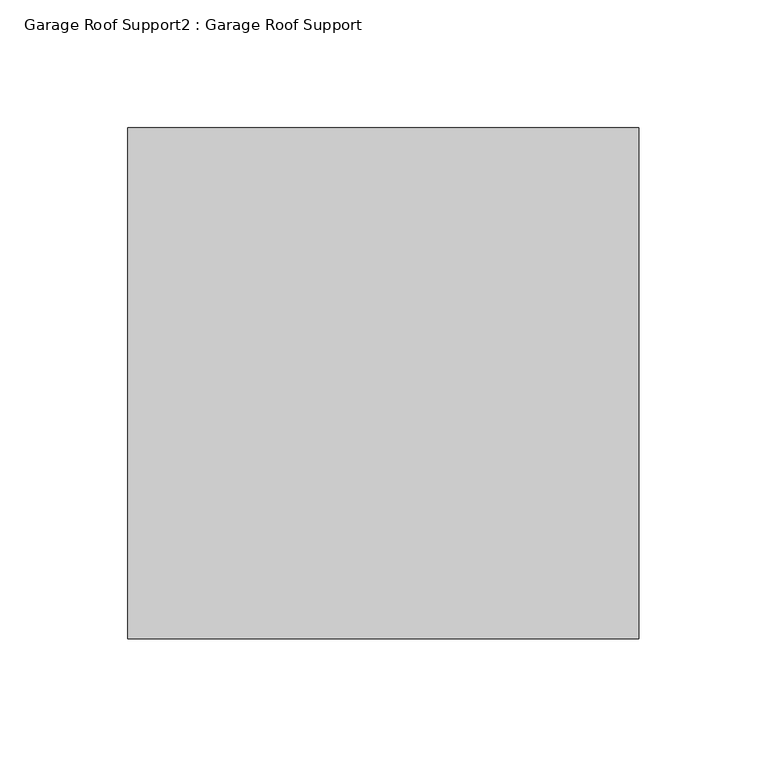
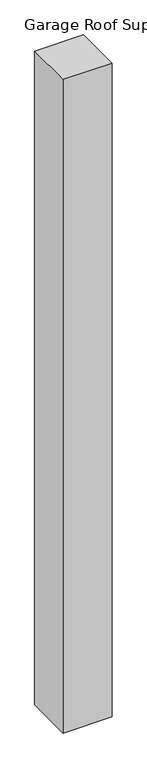
"""IFC4 building model written with IfcOpenShell, lengths in millimetres: proxy geometry, Garage Roof Support2 : Garage Roof Support."""

from ifc_helpers import new_model, si_unit, frame, origin, place, context, project, spatial, polyline, outline, extrude, source, transform, mapped, element, save


def garage_roof_support2_garage_roof_support_56326479(model_context):
    return source(origin(), model_context, "Body", "SweptSolid", [
        extrude(outline(polyline([(95486.3961746, -21332.9965434), (95686.3961746, -21332.9965434), (95686.3961746, -21532.9965434), (95486.3961746, -21532.9965434), (95486.3961746, -21332.9965434)])), frame((0.0, 0.0, 68000.0), z_axis=(0.0, 0.0, 1.0), x_axis=(1.0, 0.0, 0.0)), (0.0, 0.0, 1.0), 2820.0),
    ])


if __name__ == "__main__":
    model = new_model("IFC4")
    model_context = context("Model", 3, world=origin())
    ifc_project = project(units=[si_unit("LENGTHUNIT", "METRE", prefix="MILLI")], contexts=[model_context])
    site = spatial("IfcSite", under=ifc_project)
    building = spatial("IfcBuilding", under=site)
    placement = place(None, origin())
    garage_roof_support2_garage_roof_support_shape = garage_roof_support2_garage_roof_support_56326479(model_context)
    element("IfcBuildingElementProxy", 1, Name="Garage Roof Support2 : Garage Roof Support", ObjectType="Garage Roof Support2 : Garage Roof Support", at=placement, inside=building, context=model_context, shape_type="MappedRepresentation", body=[
        mapped(garage_roof_support2_garage_roof_support_shape, transform((0.0, 0.0, 0.0), x_axis=(1.0, 0.0, 0.0), y_axis=(0.0, 1.0, 0.0), z_axis=(0.0, 0.0, 1.0))),
    ])
    save(model, "model.ifc")
